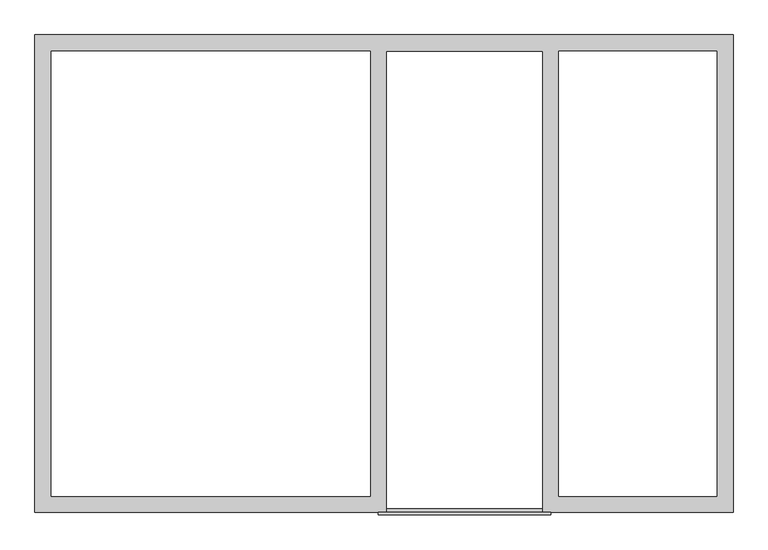
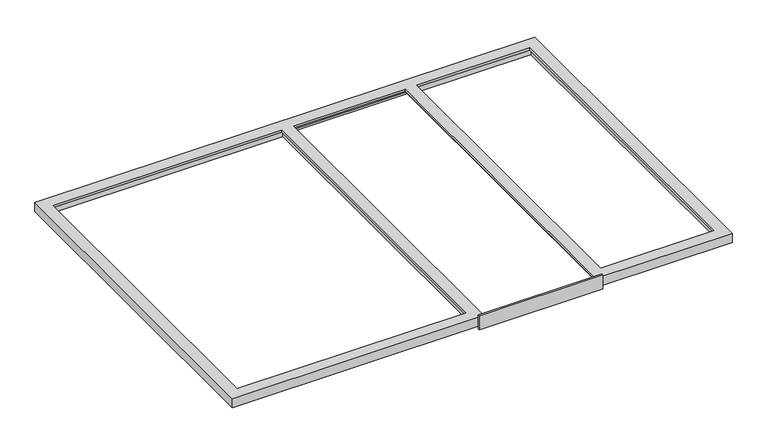
"""IFC4 building model written with IfcOpenShell, lengths in millimetres: proxy geometry."""

from ifc_helpers import new_model, si_unit, frame, origin, place, context, project, spatial, polyline, outline, extrude, faceted_brep, source, transform, mapped, element, save


def generic_models_0786badf(model_context):
    return source(origin(), model_context, "Body", "SolidModel", [
        extrude(outline(polyline([(-12.0, -86.0), (-12.0, 19.0), (0.0, 19.0), (0.0, -12.0), (18.0, -12.0), (18.0, -37.0), (0.0, -37.0), (0.0, -86.0), (-12.0, -86.0)])), frame((1756.0, 0.0, 0.0), z_axis=(1.0, 0.0, 0.0), x_axis=(0.0, 1.0, 0.0)), (0.0, 0.0, 1.0), 883.0),
        faceted_brep([(0.0, 0.0, 0.0), (0.0, 0.0, -68.0), (1762.5, 0.0, -68.0), (1762.5, 0.0, -37.0), (1782.5, 0.0, -37.0), (1782.5, 0.0, -16.0), (1797.5, 0.0, -16.0), (1797.5, 0.0, 0.0), (0.0, 2445.0, -68.0), (0.0, 2445.0, 0.0), (3571.0, 2445.0, 0.0), (3571.0, 2445.0, -68.0), (3571.0, 0.0, -68.0), (2632.5, 0.0, -68.0), (2632.5, 2397.0, -68.0), (1762.5, 2397.0, -68.0), (65.0, 65.0, -68.0), (1732.5, 65.0, -68.0), (1732.5, 2380.0, -68.0), (65.0, 2380.0, -68.0), (2662.5, 2380.0, -68.0), (2662.5, 65.0, -68.0), (3506.0, 65.0, -68.0), (3506.0, 2380.0, -68.0), (65.0, 65.0, -16.0), (65.0, 2380.0, -16.0), (1732.5, 65.0, -16.0), (1732.5, 2380.0, -16.0), (83.0, 83.0, -16.0), (1714.5, 83.0, -16.0), (1714.5, 2362.0, -16.0), (83.0, 2362.0, -16.0), (83.0, 83.0, 0.0), (83.0, 2362.0, 0.0), (1797.5, 2362.0, 0.0), (2597.5, 2362.0, 0.0), (2597.5, 0.0, 0.0), (3571.0, 0.0, 0.0), (1714.5, 83.0, 0.0), (1714.5, 2362.0, 0.0), (3488.0, 2362.0, 0.0), (3488.0, 83.0, 0.0), (2680.5, 83.0, 0.0), (2680.5, 2362.0, 0.0), (1762.5, 2397.0, -37.0), (1782.5, 2377.0, -37.0), (1782.5, 2377.0, -16.0), (2632.5, 2397.0, -37.0), (2632.5, 0.0, -37.0), (2612.5, 0.0, -37.0), (2612.5, 2377.0, -37.0), (1797.5, 2362.0, -16.0), (2612.5, 2377.0, -16.0), (2612.5, 0.0, -16.0), (2597.5, 0.0, -16.0), (2597.5, 2362.0, -16.0), (2662.5, 2380.0, -16.0), (2662.5, 65.0, -16.0), (3506.0, 2380.0, -16.0), (3506.0, 65.0, -16.0), (3488.0, 2362.0, -16.0), (2680.5, 2362.0, -16.0), (2680.5, 83.0, -16.0), (3488.0, 83.0, -16.0)], [[[0, 1, 2, 3, 4, 5, 6, 7]], [[8, 9, 10, 11]], [[2, 1, 8, 11, 12, 13, 14, 15], [16, 17, 18, 19], [20, 21, 22, 23]], [[24, 16, 19, 25]], [[26, 24, 25, 27], [28, 29, 30, 31]], [[32, 28, 31, 33]], [[0, 7, 34, 35, 36, 37, 10, 9], [38, 32, 33, 39], [40, 41, 42, 43]], [[1, 0, 9, 8]], [[17, 26, 27, 18]], [[29, 38, 39, 30]], [[3, 2, 15, 44]], [[17, 16, 24, 26]], [[29, 28, 32, 38]], [[5, 4, 45, 46]], [[4, 3, 44, 47, 48, 49, 50, 45]], [[39, 33, 31, 30]], [[19, 18, 27, 25]], [[7, 6, 51, 34]], [[6, 5, 46, 52, 53, 54, 55, 51]], [[34, 51, 55, 35]], [[46, 45, 50, 52]], [[37, 36, 54, 53, 49, 48, 13, 12]], [[20, 56, 57, 21]], [[56, 58, 59, 57], [60, 61, 62, 63]], [[61, 43, 42, 62]], [[13, 48, 47, 14]], [[54, 36, 35, 55]], [[12, 11, 10, 37]], [[43, 61, 60, 40]], [[56, 20, 23, 58]], [[59, 58, 23, 22]], [[40, 60, 63, 41]], [[22, 21, 57, 59]], [[42, 41, 63, 62]], [[49, 53, 52, 50]], [[44, 15, 14, 47]]]),
    ])


if __name__ == "__main__":
    model = new_model("IFC4")
    model_context = context("Model", 3, world=origin())
    ifc_project = project(units=[si_unit("LENGTHUNIT", "METRE", prefix="MILLI")], contexts=[model_context])
    site = spatial("IfcSite", under=ifc_project)
    building = spatial("IfcBuilding", under=site)
    placement = place(None, origin())
    generic_models_shape = generic_models_0786badf(model_context)
    element("IfcBuildingElementProxy", 1, Name="Generic Models", at=placement, inside=building, context=model_context, shape_type="MappedRepresentation", body=[
        mapped(generic_models_shape, transform((0.0, 0.0, 0.0), x_axis=(1.0, 0.0, 0.0), y_axis=(0.0, 1.0, 0.0), z_axis=(0.0, 0.0, 1.0))),
    ])
    save(model, "model.ifc")
